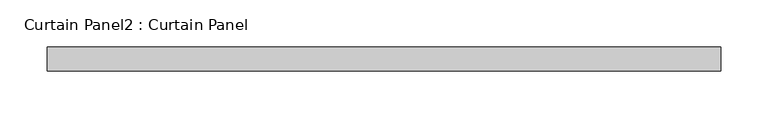
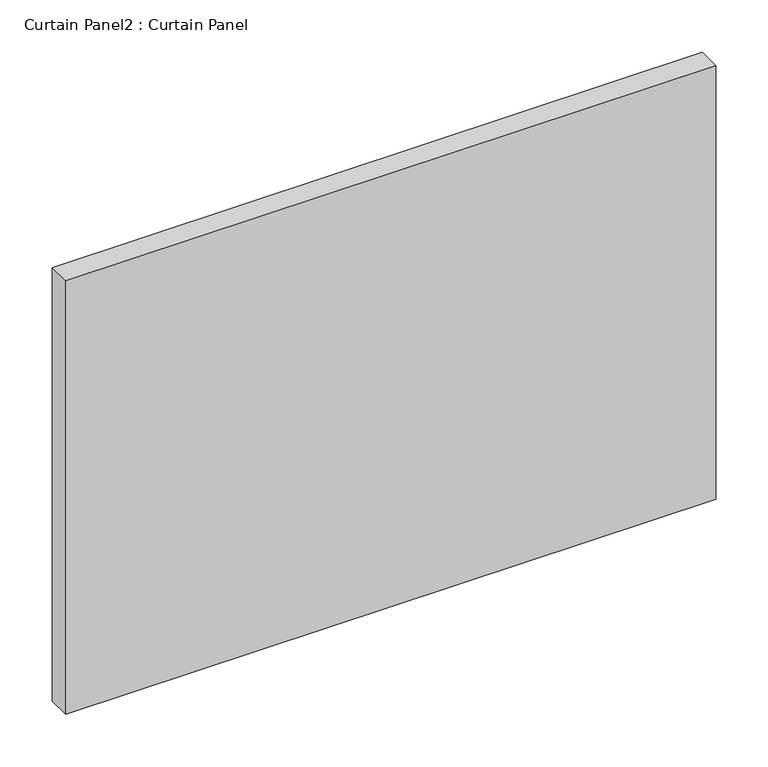
"""IFC4 building model written with IfcOpenShell, lengths in millimetres: plate geometry, Curtain Panel2 : Curtain Panel."""

from ifc_helpers import new_model, si_unit, frame, origin, place, context, project, spatial, polyline, outline, extrude, source, transform, mapped, element, save


def curtain_panel2_curtain_panel_543c15a2(model_context):
    return source(origin(), model_context, "Body", "SweptSolid", [
        extrude(outline(polyline([(4709.5292464, 3568.3617926), (3994.2733892, 3568.3617926), (3994.2733892, 3593.7617926), (4709.5292464, 3593.7617926), (4709.5292464, 3568.3617926)])), frame((0.0, 0.0, 2020.998625), z_axis=(0.0, 0.0, 1.0), x_axis=(1.0, 0.0, 0.0)), (0.0, 0.0, 1.0), 504.60275),
    ])


if __name__ == "__main__":
    model = new_model("IFC4")
    model_context = context("Model", 3, world=origin())
    ifc_project = project(units=[si_unit("LENGTHUNIT", "METRE", prefix="MILLI")], contexts=[model_context])
    site = spatial("IfcSite", under=ifc_project)
    building = spatial("IfcBuilding", under=site)
    placement = place(None, origin())
    curtain_panel2_curtain_panel_shape = curtain_panel2_curtain_panel_543c15a2(model_context)
    element("IfcPlate", 1, ObjectType="Curtain Panel2 : Curtain Panel", at=placement, inside=building, context=model_context, shape_type="MappedRepresentation", body=[
        mapped(curtain_panel2_curtain_panel_shape, transform((0.0, 0.0, 0.0), x_axis=(1.0, 0.0, 0.0), y_axis=(0.0, 1.0, 0.0), z_axis=(0.0, 0.0, 1.0))),
    ])
    save(model, "model.ifc")
